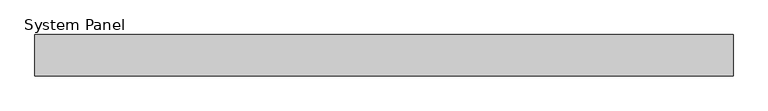
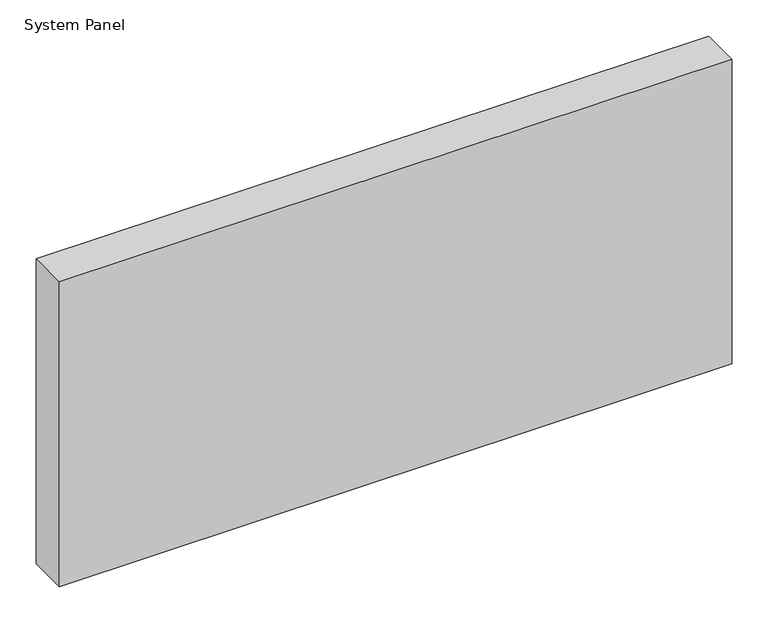
"""IFC4 building model written with IfcOpenShell, lengths in millimetres: plate geometry, System Panel."""

from ifc_helpers import new_model, si_unit, origin, origin_with_axes, place, context, project, spatial, polyline, outline, extrude, source, transform, mapped, element, save


def system_panel_f8b9c186(model_context):
    return source(origin(), model_context, "Body", "SweptSolid", [
        extrude(outline(polyline([(536.5750001, -44.45), (-536.5750001, -44.45), (-536.5750001, 19.05), (536.5750001, 19.05), (536.5750001, -44.45)])), origin_with_axes(), (0.0, 0.0, 1.0), 514.35),
    ])


if __name__ == "__main__":
    model = new_model("IFC4")
    model_context = context("Model", 3, world=origin())
    ifc_project = project(units=[si_unit("LENGTHUNIT", "METRE", prefix="MILLI")], contexts=[model_context])
    site = spatial("IfcSite", under=ifc_project)
    building = spatial("IfcBuilding", under=site)
    placement = place(None, origin())
    system_panel_shape = system_panel_f8b9c186(model_context)
    element("IfcPlate", 1, ObjectType="System Panel", at=placement, inside=building, context=model_context, shape_type="MappedRepresentation", body=[
        mapped(system_panel_shape, transform((0.0, 0.0, 0.0), x_axis=(1.0, 0.0, 0.0), y_axis=(0.0, 1.0, 0.0), z_axis=(0.0, 0.0, 1.0))),
    ])
    save(model, "model.ifc")
